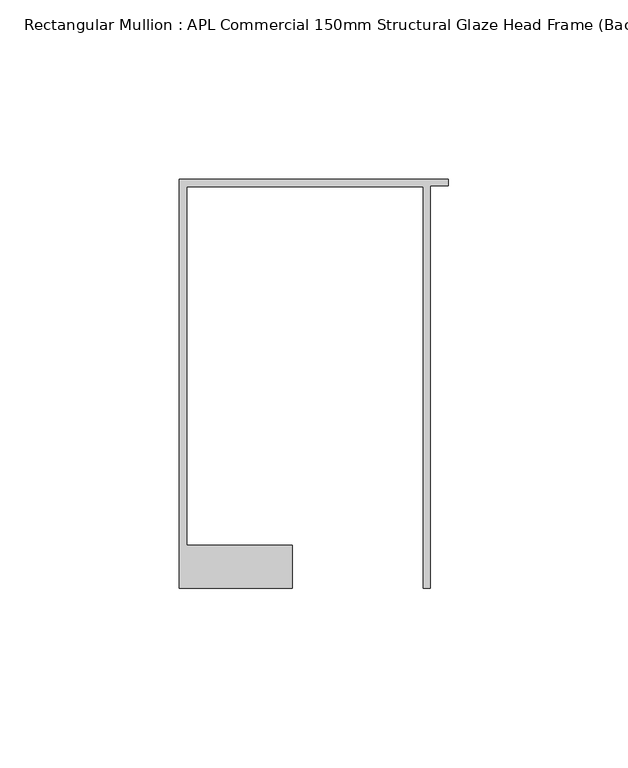
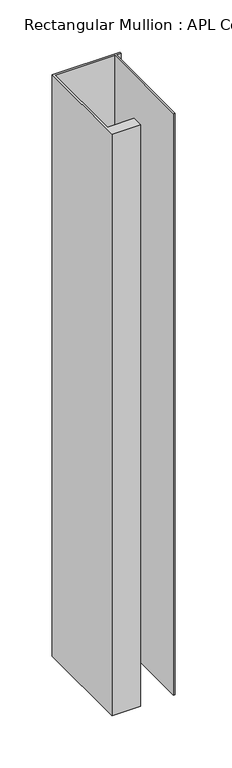
"""IFC4 building model written with IfcOpenShell, lengths in millimetres: member geometry, Rectangular Mullion : APL Commercial 150mm Structural Glaze Head Frame (Back)."""

from ifc_helpers import new_model, si_unit, frame, origin, place, context, project, spatial, polyline, outline, extrude, source, transform, mapped, element, save


def rectangular_mullion_apl_commercial_150mm_structural_glaze_09a9a360(model_context):
    return source(origin(), model_context, "Body", "SweptSolid", [
        extrude(outline(polyline([(-75.0, 128.9993063), (0.0, 128.9993063), (0.0, 127.1993063), (-5.0, 127.1993063), (-5.0, 14.9998342), (-7.0, 14.9998342), (-7.0, 126.9993063), (-73.0, 126.9993063), (-73.0, 26.9997514), (-43.5000151, 26.9997514), (-43.5000151, 14.9998342), (-75.0, 14.9998342), (-75.0, 128.9993063)])), frame((0.0, 0.0, -678.0468208), z_axis=(0.0, 0.0, 1.0), x_axis=(1.0, 0.0, 0.0)), (0.0, 0.0, 1.0), 678.0468208),
    ])


if __name__ == "__main__":
    model = new_model("IFC4")
    model_context = context("Model", 3, world=origin())
    ifc_project = project(units=[si_unit("LENGTHUNIT", "METRE", prefix="MILLI")], contexts=[model_context])
    site = spatial("IfcSite", under=ifc_project)
    building = spatial("IfcBuilding", under=site)
    placement = place(None, origin())
    rectangular_mullion_apl_commercial_150mm_structural_glaze_shape = rectangular_mullion_apl_commercial_150mm_structural_glaze_09a9a360(model_context)
    element("IfcMember", 1, ObjectType="Rectangular Mullion : APL Commercial 150mm Structural Glaze Head Frame (Back)", at=placement, inside=building, context=model_context, shape_type="MappedRepresentation", body=[
        mapped(rectangular_mullion_apl_commercial_150mm_structural_glaze_shape, transform((0.0, 0.0, 0.0), x_axis=(1.0, 0.0, 0.0), y_axis=(0.0, 1.0, 0.0), z_axis=(0.0, 0.0, 1.0))),
    ])
    save(model, "model.ifc")
